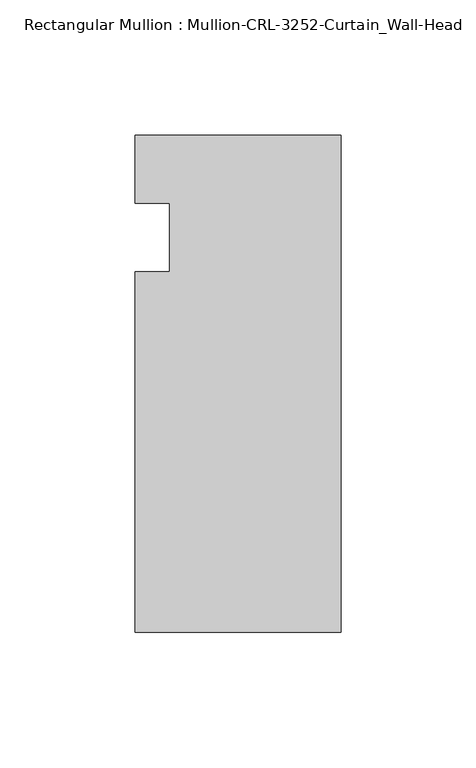
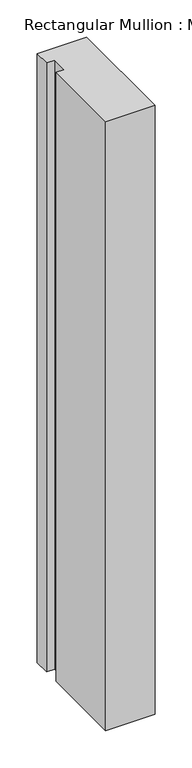
"""IFC4 building model written with IfcOpenShell, lengths in millimetres: member geometry, Rectangular Mullion : Mullion-CRL-3252-Curtain_Wall-Head."""

from ifc_helpers import new_model, si_unit, frame, origin, place, context, project, spatial, polyline, outline, extrude, source, transform, mapped, element, save


def rectangular_mullion_mullion_crl_3252_curtain_wall_head_3471df9a(model_context):
    return source(origin(), model_context, "Body", "SweptSolid", [
        extrude(outline(polyline([(0.0, -146.0054758), (-76.1947014, -146.0054758), (-76.1947014, -12.7), (-63.5026672, -12.7), (-63.5026672, 12.7), (-76.1947014, 12.7), (-76.1947014, 37.87102), (0.0, 37.87102), (0.0, -146.0054758)])), frame((0.0, 0.0, -996.4830559), z_axis=(0.0, 0.0, 1.0), x_axis=(1.0, 0.0, 0.0)), (0.0, 0.0, 1.0), 996.4830559),
    ])


if __name__ == "__main__":
    model = new_model("IFC4")
    model_context = context("Model", 3, world=origin())
    ifc_project = project(units=[si_unit("LENGTHUNIT", "METRE", prefix="MILLI")], contexts=[model_context])
    site = spatial("IfcSite", under=ifc_project)
    building = spatial("IfcBuilding", under=site)
    placement = place(None, origin())
    rectangular_mullion_mullion_crl_3252_curtain_wall_head_shape = rectangular_mullion_mullion_crl_3252_curtain_wall_head_3471df9a(model_context)
    element("IfcMember", 1, ObjectType="Rectangular Mullion : Mullion-CRL-3252-Curtain_Wall-Head", at=placement, inside=building, context=model_context, shape_type="MappedRepresentation", body=[
        mapped(rectangular_mullion_mullion_crl_3252_curtain_wall_head_shape, transform((0.0, 0.0, 0.0), x_axis=(1.0, 0.0, 0.0), y_axis=(0.0, 1.0, 0.0), z_axis=(0.0, 0.0, 1.0))),
    ])
    save(model, "model.ifc")
